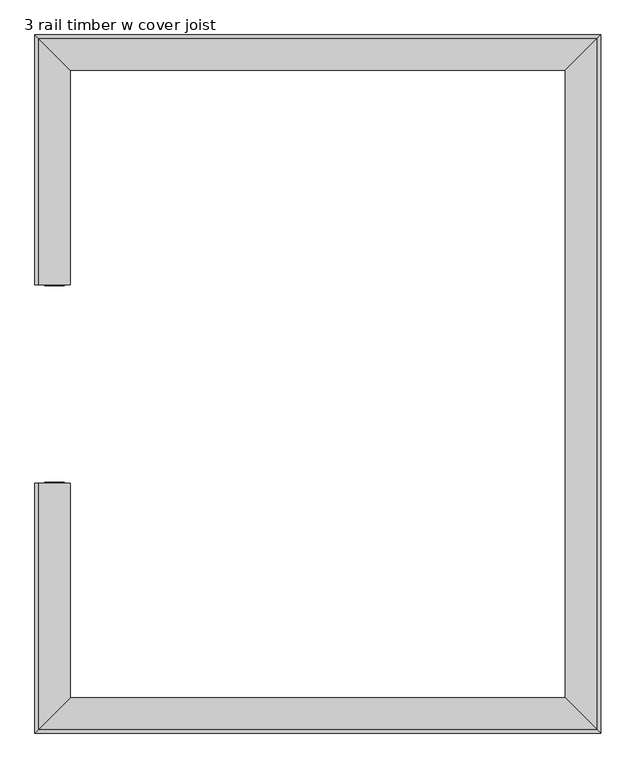
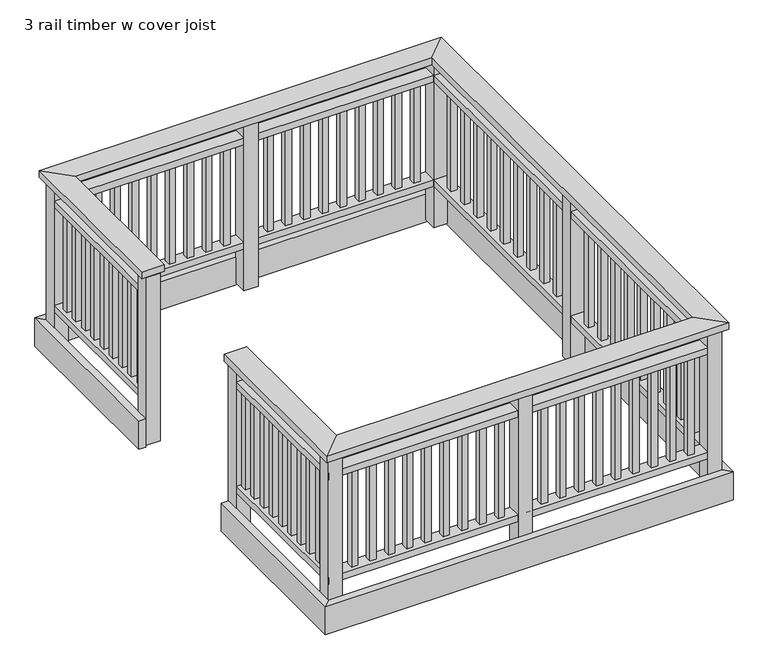
"""IFC4 building model written with IfcOpenShell, lengths in millimetres: railing geometry, 3 rail timber w cover joist."""

from ifc_helpers import new_model, si_unit, frame, origin, place, context, project, spatial, polyline, outline, extrude, faceted_brep, source, transform, mapped, element, save


def railing_3_rail_timber_w_cover_joist_783a0ea9(model_context):
    return source(origin(), model_context, "Body", "SolidModel", [
        faceted_brep([(-8800.9871552, -1452.6167866, 2219.2), (-8655.9871552, -1452.6167866, 2219.2), (-8655.9871552, -1452.6167866, 2174.2), (-8800.9871552, -1452.6167866, 2174.2), (-8800.9871552, -2585.0167866, 2219.2), (-8655.9871552, -2440.0167866, 2219.2), (-8655.9871552, -2440.0167866, 2174.2), (-8800.9871552, -2585.0167866, 2174.2), (-6231.3871552, -2585.0167866, 2219.2), (-6376.3871552, -2440.0167866, 2219.2), (-6376.3871552, -2440.0167866, 2174.2), (-6231.3871552, -2585.0167866, 2174.2), (-6231.3871552, 594.1832134, 2219.2), (-6376.3871552, 449.1832134, 2219.2), (-6376.3871552, 449.1832134, 2174.2), (-6231.3871552, 594.1832134, 2174.2), (-8800.9871552, 594.1832134, 2219.2), (-8655.9871552, 449.1832134, 2219.2), (-8655.9871552, 449.1832134, 2174.2), (-8800.9871552, 594.1832134, 2174.2), (-8800.9871552, -538.2167866, 2219.2), (-8800.9871552, -538.2167866, 2174.2), (-8655.9871552, -538.2167866, 2174.2), (-8655.9871552, -538.2167866, 2219.2)], [[[0, 1, 2, 3]], [[1, 0, 4, 5]], [[2, 1, 5, 6]], [[3, 2, 6, 7]], [[0, 3, 7, 4]], [[5, 4, 8, 9]], [[6, 5, 9, 10]], [[7, 6, 10, 11]], [[4, 7, 11, 8]], [[9, 8, 12, 13]], [[10, 9, 13, 14]], [[11, 10, 14, 15]], [[8, 11, 15, 12]], [[13, 12, 16, 17]], [[14, 13, 17, 18]], [[15, 14, 18, 19]], [[12, 15, 19, 16]], [[20, 21, 22, 23]], [[17, 16, 20, 23]], [[18, 17, 23, 22]], [[19, 18, 22, 21]], [[16, 19, 21, 20]]]),
        faceted_brep([(-8770.9871552, -1452.6167866, 2074.2), (-8685.9871552, -1452.6167866, 2074.2), (-8685.9871552, -1452.6167866, 2029.2), (-8770.9871552, -1452.6167866, 2029.2), (-8770.9871552, -2555.0167866, 2074.2), (-8685.9871552, -2470.0167866, 2074.2), (-8685.9871552, -2470.0167866, 2029.2), (-8770.9871552, -2555.0167866, 2029.2), (-6261.3871552, -2555.0167866, 2074.2), (-6346.3871552, -2470.0167866, 2074.2), (-6346.3871552, -2470.0167866, 2029.2), (-6261.3871552, -2555.0167866, 2029.2), (-6261.3871552, 564.1832134, 2074.2), (-6346.3871552, 479.1832134, 2074.2), (-6346.3871552, 479.1832134, 2029.2), (-6261.3871552, 564.1832134, 2029.2), (-8770.9871552, 564.1832134, 2074.2), (-8685.9871552, 479.1832134, 2074.2), (-8685.9871552, 479.1832134, 2029.2), (-8770.9871552, 564.1832134, 2029.2), (-8770.9871552, -538.2167866, 2074.2), (-8770.9871552, -538.2167866, 2029.2), (-8685.9871552, -538.2167866, 2029.2), (-8685.9871552, -538.2167866, 2074.2)], [[[0, 1, 2, 3]], [[1, 0, 4, 5]], [[2, 1, 5, 6]], [[3, 2, 6, 7]], [[0, 3, 7, 4]], [[5, 4, 8, 9]], [[6, 5, 9, 10]], [[7, 6, 10, 11]], [[4, 7, 11, 8]], [[9, 8, 12, 13]], [[10, 9, 13, 14]], [[11, 10, 14, 15]], [[8, 11, 15, 12]], [[13, 12, 16, 17]], [[14, 13, 17, 18]], [[15, 14, 18, 19]], [[12, 15, 19, 16]], [[20, 21, 22, 23]], [[17, 16, 20, 23]], [[18, 17, 23, 22]], [[19, 18, 22, 21]], [[16, 19, 21, 20]]]),
        faceted_brep([(-8770.9871552, -1452.6167866, 1369.2), (-8685.9871552, -1452.6167866, 1369.2), (-8685.9871552, -1452.6167866, 1324.2), (-8770.9871552, -1452.6167866, 1324.2), (-8770.9871552, -2555.0167866, 1369.2), (-8685.9871552, -2470.0167866, 1369.2), (-8685.9871552, -2470.0167866, 1324.2), (-8770.9871552, -2555.0167866, 1324.2), (-6261.3871552, -2555.0167866, 1369.2), (-6346.3871552, -2470.0167866, 1369.2), (-6346.3871552, -2470.0167866, 1324.2), (-6261.3871552, -2555.0167866, 1324.2), (-6261.3871552, 564.1832134, 1369.2), (-6346.3871552, 479.1832134, 1369.2), (-6346.3871552, 479.1832134, 1324.2), (-6261.3871552, 564.1832134, 1324.2), (-8770.9871552, 564.1832134, 1369.2), (-8685.9871552, 479.1832134, 1369.2), (-8685.9871552, 479.1832134, 1324.2), (-8770.9871552, 564.1832134, 1324.2), (-8770.9871552, -538.2167866, 1369.2), (-8770.9871552, -538.2167866, 1324.2), (-8685.9871552, -538.2167866, 1324.2), (-8685.9871552, -538.2167866, 1369.2)], [[[0, 1, 2, 3]], [[1, 0, 4, 5]], [[2, 1, 5, 6]], [[3, 2, 6, 7]], [[0, 3, 7, 4]], [[5, 4, 8, 9]], [[6, 5, 9, 10]], [[7, 6, 10, 11]], [[4, 7, 11, 8]], [[9, 8, 12, 13]], [[10, 9, 13, 14]], [[11, 10, 14, 15]], [[8, 11, 15, 12]], [[13, 12, 16, 17]], [[14, 13, 17, 18]], [[15, 14, 18, 19]], [[12, 15, 19, 16]], [[20, 21, 22, 23]], [[17, 16, 20, 23]], [[18, 17, 23, 22]], [[19, 18, 22, 21]], [[16, 19, 21, 20]]]),
        faceted_brep([(-8818.4871552, -1452.6167866, 1219.2), (-8773.4871552, -1452.6167866, 1219.2), (-8773.4871552, -1452.6167866, 1029.2), (-8818.4871552, -1452.6167866, 1029.2), (-8818.4871552, -2602.5167866, 1219.2), (-8773.4871552, -2557.5167866, 1219.2), (-8773.4871552, -2557.5167866, 1029.2), (-8818.4871552, -2602.5167866, 1029.2), (-6213.8871552, -2602.5167866, 1219.2), (-6258.8871552, -2557.5167866, 1219.2), (-6258.8871552, -2557.5167866, 1029.2), (-6213.8871552, -2602.5167866, 1029.2), (-6213.8871552, 611.6832134, 1219.2), (-6258.8871552, 566.6832134, 1219.2), (-6258.8871552, 566.6832134, 1029.2), (-6213.8871552, 611.6832134, 1029.2), (-8818.4871552, 611.6832134, 1219.2), (-8773.4871552, 566.6832134, 1219.2), (-8773.4871552, 566.6832134, 1029.2), (-8818.4871552, 611.6832134, 1029.2), (-8818.4871552, -538.2167866, 1219.2), (-8818.4871552, -538.2167866, 1029.2), (-8773.4871552, -538.2167866, 1029.2), (-8773.4871552, -538.2167866, 1219.2)], [[[0, 1, 2, 3]], [[1, 0, 4, 5]], [[2, 1, 5, 6]], [[3, 2, 6, 7]], [[0, 3, 7, 4]], [[5, 4, 8, 9]], [[6, 5, 9, 10]], [[7, 6, 10, 11]], [[4, 7, 11, 8]], [[9, 8, 12, 13]], [[10, 9, 13, 14]], [[11, 10, 14, 15]], [[8, 11, 15, 12]], [[13, 12, 16, 17]], [[14, 13, 17, 18]], [[15, 14, 18, 19]], [[12, 15, 19, 16]], [[20, 21, 22, 23]], [[17, 16, 20, 23]], [[18, 17, 23, 22]], [[19, 18, 22, 21]], [[16, 19, 21, 20]]]),
        extrude(outline(polyline([(-8748.4871552, -397.6074763), (-8708.4871552, -397.6074763), (-8708.4871552, -437.6074763), (-8748.4871552, -437.6074763), (-8748.4871552, -397.6074763)])), frame((0.0, 0.0, 1369.2), z_axis=(0.0, 0.0, 1.0), x_axis=(1.0, 0.0, 0.0)), (0.0, 0.0, 1.0), 660.0),
        extrude(outline(polyline([(-8748.4871552, -295.2723039), (-8708.4871552, -295.2723039), (-8708.4871552, -335.2723039), (-8748.4871552, -335.2723039), (-8748.4871552, -295.2723039)])), frame((0.0, 0.0, 1369.2), z_axis=(0.0, 0.0, 1.0), x_axis=(1.0, 0.0, 0.0)), (0.0, 0.0, 1.0), 660.0),
        extrude(outline(polyline([(-8748.4871552, -192.9371315), (-8708.4871552, -192.9371315), (-8708.4871552, -232.9371315), (-8748.4871552, -232.9371315), (-8748.4871552, -192.9371315)])), frame((0.0, 0.0, 1369.2), z_axis=(0.0, 0.0, 1.0), x_axis=(1.0, 0.0, 0.0)), (0.0, 0.0, 1.0), 660.0),
        extrude(outline(polyline([(-8748.4871552, -90.601959), (-8708.4871552, -90.601959), (-8708.4871552, -130.601959), (-8748.4871552, -130.601959), (-8748.4871552, -90.601959)])), frame((0.0, 0.0, 1369.2), z_axis=(0.0, 0.0, 1.0), x_axis=(1.0, 0.0, 0.0)), (0.0, 0.0, 1.0), 660.0),
        extrude(outline(polyline([(-8748.4871552, 11.7332134), (-8708.4871552, 11.7332134), (-8708.4871552, -28.2667866), (-8748.4871552, -28.2667866), (-8748.4871552, 11.7332134)])), frame((0.0, 0.0, 1369.2), z_axis=(0.0, 0.0, 1.0), x_axis=(1.0, 0.0, 0.0)), (0.0, 0.0, 1.0), 660.0),
        extrude(outline(polyline([(-8748.4871552, 114.0683858), (-8708.4871552, 114.0683858), (-8708.4871552, 74.0683858), (-8748.4871552, 74.0683858), (-8748.4871552, 114.0683858)])), frame((0.0, 0.0, 1369.2), z_axis=(0.0, 0.0, 1.0), x_axis=(1.0, 0.0, 0.0)), (0.0, 0.0, 1.0), 660.0),
        extrude(outline(polyline([(-8748.4871552, 216.4035582), (-8708.4871552, 216.4035582), (-8708.4871552, 176.4035582), (-8748.4871552, 176.4035582), (-8748.4871552, 216.4035582)])), frame((0.0, 0.0, 1369.2), z_axis=(0.0, 0.0, 1.0), x_axis=(1.0, 0.0, 0.0)), (0.0, 0.0, 1.0), 660.0),
        extrude(outline(polyline([(-8748.4871552, 318.7387306), (-8708.4871552, 318.7387306), (-8708.4871552, 278.7387306), (-8748.4871552, 278.7387306), (-8748.4871552, 318.7387306)])), frame((0.0, 0.0, 1369.2), z_axis=(0.0, 0.0, 1.0), x_axis=(1.0, 0.0, 0.0)), (0.0, 0.0, 1.0), 660.0),
        extrude(outline(polyline([(-8748.4871552, 421.073903), (-8708.4871552, 421.073903), (-8708.4871552, 381.073903), (-8748.4871552, 381.073903), (-8748.4871552, 421.073903)])), frame((0.0, 0.0, 1369.2), z_axis=(0.0, 0.0, 1.0), x_axis=(1.0, 0.0, 0.0)), (0.0, 0.0, 1.0), 660.0),
        extrude(outline(polyline([(-8570.5357759, 541.6832134), (-8570.5357759, 501.6832134), (-8610.5357759, 501.6832134), (-8610.5357759, 541.6832134), (-8570.5357759, 541.6832134)])), frame((0.0, 0.0, 1369.2), z_axis=(0.0, 0.0, 1.0), x_axis=(1.0, 0.0, 0.0)), (0.0, 0.0, 1.0), 660.0),
        extrude(outline(polyline([(-8453.4861207, 541.6832134), (-8453.4861207, 501.6832134), (-8493.4861207, 501.6832134), (-8493.4861207, 541.6832134), (-8453.4861207, 541.6832134)])), frame((0.0, 0.0, 1369.2), z_axis=(0.0, 0.0, 1.0), x_axis=(1.0, 0.0, 0.0)), (0.0, 0.0, 1.0), 660.0),
        extrude(outline(polyline([(-8336.4364655, 541.6832134), (-8336.4364655, 501.6832134), (-8376.4364655, 501.6832134), (-8376.4364655, 541.6832134), (-8336.4364655, 541.6832134)])), frame((0.0, 0.0, 1369.2), z_axis=(0.0, 0.0, 1.0), x_axis=(1.0, 0.0, 0.0)), (0.0, 0.0, 1.0), 660.0),
        extrude(outline(polyline([(-8219.3868104, 541.6832134), (-8219.3868104, 501.6832134), (-8259.3868104, 501.6832134), (-8259.3868104, 541.6832134), (-8219.3868104, 541.6832134)])), frame((0.0, 0.0, 1369.2), z_axis=(0.0, 0.0, 1.0), x_axis=(1.0, 0.0, 0.0)), (0.0, 0.0, 1.0), 660.0),
        extrude(outline(polyline([(-8102.3371552, 541.6832134), (-8102.3371552, 501.6832134), (-8142.3371552, 501.6832134), (-8142.3371552, 541.6832134), (-8102.3371552, 541.6832134)])), frame((0.0, 0.0, 1369.2), z_axis=(0.0, 0.0, 1.0), x_axis=(1.0, 0.0, 0.0)), (0.0, 0.0, 1.0), 660.0),
        extrude(outline(polyline([(-7985.2875, 541.6832134), (-7985.2875, 501.6832134), (-8025.2875, 501.6832134), (-8025.2875, 541.6832134), (-7985.2875, 541.6832134)])), frame((0.0, 0.0, 1369.2), z_axis=(0.0, 0.0, 1.0), x_axis=(1.0, 0.0, 0.0)), (0.0, 0.0, 1.0), 660.0),
        extrude(outline(polyline([(-7868.2378449, 541.6832134), (-7868.2378449, 501.6832134), (-7908.2378449, 501.6832134), (-7908.2378449, 541.6832134), (-7868.2378449, 541.6832134)])), frame((0.0, 0.0, 1369.2), z_axis=(0.0, 0.0, 1.0), x_axis=(1.0, 0.0, 0.0)), (0.0, 0.0, 1.0), 660.0),
        extrude(outline(polyline([(-7751.1881897, 541.6832134), (-7751.1881897, 501.6832134), (-7791.1881897, 501.6832134), (-7791.1881897, 541.6832134), (-7751.1881897, 541.6832134)])), frame((0.0, 0.0, 1369.2), z_axis=(0.0, 0.0, 1.0), x_axis=(1.0, 0.0, 0.0)), (0.0, 0.0, 1.0), 660.0),
        extrude(outline(polyline([(-7634.1385345, 541.6832134), (-7634.1385345, 501.6832134), (-7674.1385345, 501.6832134), (-7674.1385345, 541.6832134), (-7634.1385345, 541.6832134)])), frame((0.0, 0.0, 1369.2), z_axis=(0.0, 0.0, 1.0), x_axis=(1.0, 0.0, 0.0)), (0.0, 0.0, 1.0), 660.0),
        extrude(outline(polyline([(-7471.1871552, 566.6832134), (-7471.1871552, 476.6832134), (-7561.1871552, 476.6832134), (-7561.1871552, 566.6832134), (-7471.1871552, 566.6832134)])), frame((0.0, 0.0, 1044.2), z_axis=(0.0, 0.0, 1.0), x_axis=(1.0, 0.0, 0.0)), (0.0, 0.0, 1.0), 1130.0),
        extrude(outline(polyline([(-7358.2357759, 541.6832134), (-7358.2357759, 501.6832134), (-7398.2357759, 501.6832134), (-7398.2357759, 541.6832134), (-7358.2357759, 541.6832134)])), frame((0.0, 0.0, 1369.2), z_axis=(0.0, 0.0, 1.0), x_axis=(1.0, 0.0, 0.0)), (0.0, 0.0, 1.0), 660.0),
        extrude(outline(polyline([(-7241.1861207, 541.6832134), (-7241.1861207, 501.6832134), (-7281.1861207, 501.6832134), (-7281.1861207, 541.6832134), (-7241.1861207, 541.6832134)])), frame((0.0, 0.0, 1369.2), z_axis=(0.0, 0.0, 1.0), x_axis=(1.0, 0.0, 0.0)), (0.0, 0.0, 1.0), 660.0),
        extrude(outline(polyline([(-7124.1364655, 541.6832134), (-7124.1364655, 501.6832134), (-7164.1364655, 501.6832134), (-7164.1364655, 541.6832134), (-7124.1364655, 541.6832134)])), frame((0.0, 0.0, 1369.2), z_axis=(0.0, 0.0, 1.0), x_axis=(1.0, 0.0, 0.0)), (0.0, 0.0, 1.0), 660.0),
        extrude(outline(polyline([(-7007.0868104, 541.6832134), (-7007.0868104, 501.6832134), (-7047.0868104, 501.6832134), (-7047.0868104, 541.6832134), (-7007.0868104, 541.6832134)])), frame((0.0, 0.0, 1369.2), z_axis=(0.0, 0.0, 1.0), x_axis=(1.0, 0.0, 0.0)), (0.0, 0.0, 1.0), 660.0),
        extrude(outline(polyline([(-6890.0371552, 541.6832134), (-6890.0371552, 501.6832134), (-6930.0371552, 501.6832134), (-6930.0371552, 541.6832134), (-6890.0371552, 541.6832134)])), frame((0.0, 0.0, 1369.2), z_axis=(0.0, 0.0, 1.0), x_axis=(1.0, 0.0, 0.0)), (0.0, 0.0, 1.0), 660.0),
        extrude(outline(polyline([(-6772.9875, 541.6832134), (-6772.9875, 501.6832134), (-6812.9875, 501.6832134), (-6812.9875, 541.6832134), (-6772.9875, 541.6832134)])), frame((0.0, 0.0, 1369.2), z_axis=(0.0, 0.0, 1.0), x_axis=(1.0, 0.0, 0.0)), (0.0, 0.0, 1.0), 660.0),
        extrude(outline(polyline([(-6655.9378449, 541.6832134), (-6655.9378449, 501.6832134), (-6695.9378449, 501.6832134), (-6695.9378449, 541.6832134), (-6655.9378449, 541.6832134)])), frame((0.0, 0.0, 1369.2), z_axis=(0.0, 0.0, 1.0), x_axis=(1.0, 0.0, 0.0)), (0.0, 0.0, 1.0), 660.0),
        extrude(outline(polyline([(-6538.8881897, 541.6832134), (-6538.8881897, 501.6832134), (-6578.8881897, 501.6832134), (-6578.8881897, 541.6832134), (-6538.8881897, 541.6832134)])), frame((0.0, 0.0, 1369.2), z_axis=(0.0, 0.0, 1.0), x_axis=(1.0, 0.0, 0.0)), (0.0, 0.0, 1.0), 660.0),
        extrude(outline(polyline([(-6421.8385345, 541.6832134), (-6421.8385345, 501.6832134), (-6461.8385345, 501.6832134), (-6461.8385345, 541.6832134), (-6421.8385345, 541.6832134)])), frame((0.0, 0.0, 1369.2), z_axis=(0.0, 0.0, 1.0), x_axis=(1.0, 0.0, 0.0)), (0.0, 0.0, 1.0), 660.0),
        extrude(outline(polyline([(-6283.8871552, 329.0476961), (-6323.8871552, 329.0476961), (-6323.8871552, 369.0476961), (-6283.8871552, 369.0476961), (-6283.8871552, 329.0476961)])), frame((0.0, 0.0, 1369.2), z_axis=(0.0, 0.0, 1.0), x_axis=(1.0, 0.0, 0.0)), (0.0, 0.0, 1.0), 660.0),
        extrude(outline(polyline([(-6283.8871552, 182.5690754), (-6323.8871552, 182.5690754), (-6323.8871552, 222.5690754), (-6283.8871552, 222.5690754), (-6283.8871552, 182.5690754)])), frame((0.0, 0.0, 1369.2), z_axis=(0.0, 0.0, 1.0), x_axis=(1.0, 0.0, 0.0)), (0.0, 0.0, 1.0), 660.0),
        extrude(outline(polyline([(-6283.8871552, 36.0904548), (-6323.8871552, 36.0904548), (-6323.8871552, 76.0904548), (-6283.8871552, 76.0904548), (-6283.8871552, 36.0904548)])), frame((0.0, 0.0, 1369.2), z_axis=(0.0, 0.0, 1.0), x_axis=(1.0, 0.0, 0.0)), (0.0, 0.0, 1.0), 660.0),
        extrude(outline(polyline([(-6283.8871552, -110.3881659), (-6323.8871552, -110.3881659), (-6323.8871552, -70.3881659), (-6283.8871552, -70.3881659), (-6283.8871552, -110.3881659)])), frame((0.0, 0.0, 1369.2), z_axis=(0.0, 0.0, 1.0), x_axis=(1.0, 0.0, 0.0)), (0.0, 0.0, 1.0), 660.0),
        extrude(outline(polyline([(-6283.8871552, -256.8667866), (-6323.8871552, -256.8667866), (-6323.8871552, -216.8667866), (-6283.8871552, -216.8667866), (-6283.8871552, -256.8667866)])), frame((0.0, 0.0, 1369.2), z_axis=(0.0, 0.0, 1.0), x_axis=(1.0, 0.0, 0.0)), (0.0, 0.0, 1.0), 660.0),
        extrude(outline(polyline([(-6283.8871552, -403.3454073), (-6323.8871552, -403.3454073), (-6323.8871552, -363.3454073), (-6283.8871552, -363.3454073), (-6283.8871552, -403.3454073)])), frame((0.0, 0.0, 1369.2), z_axis=(0.0, 0.0, 1.0), x_axis=(1.0, 0.0, 0.0)), (0.0, 0.0, 1.0), 660.0),
        extrude(outline(polyline([(-6283.8871552, -549.824028), (-6323.8871552, -549.824028), (-6323.8871552, -509.824028), (-6283.8871552, -509.824028), (-6283.8871552, -549.824028)])), frame((0.0, 0.0, 1369.2), z_axis=(0.0, 0.0, 1.0), x_axis=(1.0, 0.0, 0.0)), (0.0, 0.0, 1.0), 660.0),
        extrude(outline(polyline([(-6283.8871552, -696.3026487), (-6323.8871552, -696.3026487), (-6323.8871552, -656.3026487), (-6283.8871552, -656.3026487), (-6283.8871552, -696.3026487)])), frame((0.0, 0.0, 1369.2), z_axis=(0.0, 0.0, 1.0), x_axis=(1.0, 0.0, 0.0)), (0.0, 0.0, 1.0), 660.0),
        extrude(outline(polyline([(-6283.8871552, -842.7812694), (-6323.8871552, -842.7812694), (-6323.8871552, -802.7812694), (-6283.8871552, -802.7812694), (-6283.8871552, -842.7812694)])), frame((0.0, 0.0, 1369.2), z_axis=(0.0, 0.0, 1.0), x_axis=(1.0, 0.0, 0.0)), (0.0, 0.0, 1.0), 660.0),
        extrude(outline(polyline([(-6258.8871552, -1040.4167866), (-6348.8871552, -1040.4167866), (-6348.8871552, -950.4167866), (-6258.8871552, -950.4167866), (-6258.8871552, -1040.4167866)])), frame((0.0, 0.0, 1044.2), z_axis=(0.0, 0.0, 1.0), x_axis=(1.0, 0.0, 0.0)), (0.0, 0.0, 1.0), 1130.0),
        extrude(outline(polyline([(-6283.8871552, -1188.0523039), (-6323.8871552, -1188.0523039), (-6323.8871552, -1148.0523039), (-6283.8871552, -1148.0523039), (-6283.8871552, -1188.0523039)])), frame((0.0, 0.0, 1369.2), z_axis=(0.0, 0.0, 1.0), x_axis=(1.0, 0.0, 0.0)), (0.0, 0.0, 1.0), 660.0),
        extrude(outline(polyline([(-6283.8871552, -1334.5309246), (-6323.8871552, -1334.5309246), (-6323.8871552, -1294.5309246), (-6283.8871552, -1294.5309246), (-6283.8871552, -1334.5309246)])), frame((0.0, 0.0, 1369.2), z_axis=(0.0, 0.0, 1.0), x_axis=(1.0, 0.0, 0.0)), (0.0, 0.0, 1.0), 660.0),
        extrude(outline(polyline([(-6283.8871552, -1481.0095452), (-6323.8871552, -1481.0095452), (-6323.8871552, -1441.0095452), (-6283.8871552, -1441.0095452), (-6283.8871552, -1481.0095452)])), frame((0.0, 0.0, 1369.2), z_axis=(0.0, 0.0, 1.0), x_axis=(1.0, 0.0, 0.0)), (0.0, 0.0, 1.0), 660.0),
        extrude(outline(polyline([(-6283.8871552, -1627.4881659), (-6323.8871552, -1627.4881659), (-6323.8871552, -1587.4881659), (-6283.8871552, -1587.4881659), (-6283.8871552, -1627.4881659)])), frame((0.0, 0.0, 1369.2), z_axis=(0.0, 0.0, 1.0), x_axis=(1.0, 0.0, 0.0)), (0.0, 0.0, 1.0), 660.0),
        extrude(outline(polyline([(-6283.8871552, -1773.9667866), (-6323.8871552, -1773.9667866), (-6323.8871552, -1733.9667866), (-6283.8871552, -1733.9667866), (-6283.8871552, -1773.9667866)])), frame((0.0, 0.0, 1369.2), z_axis=(0.0, 0.0, 1.0), x_axis=(1.0, 0.0, 0.0)), (0.0, 0.0, 1.0), 660.0),
        extrude(outline(polyline([(-6283.8871552, -1920.4454073), (-6323.8871552, -1920.4454073), (-6323.8871552, -1880.4454073), (-6283.8871552, -1880.4454073), (-6283.8871552, -1920.4454073)])), frame((0.0, 0.0, 1369.2), z_axis=(0.0, 0.0, 1.0), x_axis=(1.0, 0.0, 0.0)), (0.0, 0.0, 1.0), 660.0),
        extrude(outline(polyline([(-6283.8871552, -2066.924028), (-6323.8871552, -2066.924028), (-6323.8871552, -2026.924028), (-6283.8871552, -2026.924028), (-6283.8871552, -2066.924028)])), frame((0.0, 0.0, 1369.2), z_axis=(0.0, 0.0, 1.0), x_axis=(1.0, 0.0, 0.0)), (0.0, 0.0, 1.0), 660.0),
        extrude(outline(polyline([(-6283.8871552, -2213.4026487), (-6323.8871552, -2213.4026487), (-6323.8871552, -2173.4026487), (-6283.8871552, -2173.4026487), (-6283.8871552, -2213.4026487)])), frame((0.0, 0.0, 1369.2), z_axis=(0.0, 0.0, 1.0), x_axis=(1.0, 0.0, 0.0)), (0.0, 0.0, 1.0), 660.0),
        extrude(outline(polyline([(-6283.8871552, -2359.8812694), (-6323.8871552, -2359.8812694), (-6323.8871552, -2319.8812694), (-6283.8871552, -2319.8812694), (-6283.8871552, -2359.8812694)])), frame((0.0, 0.0, 1369.2), z_axis=(0.0, 0.0, 1.0), x_axis=(1.0, 0.0, 0.0)), (0.0, 0.0, 1.0), 660.0),
        extrude(outline(polyline([(-6461.8385345, -2532.5167866), (-6461.8385345, -2492.5167866), (-6421.8385345, -2492.5167866), (-6421.8385345, -2532.5167866), (-6461.8385345, -2532.5167866)])), frame((0.0, 0.0, 1369.2), z_axis=(0.0, 0.0, 1.0), x_axis=(1.0, 0.0, 0.0)), (0.0, 0.0, 1.0), 660.0),
        extrude(outline(polyline([(-6578.8881897, -2532.5167866), (-6578.8881897, -2492.5167866), (-6538.8881897, -2492.5167866), (-6538.8881897, -2532.5167866), (-6578.8881897, -2532.5167866)])), frame((0.0, 0.0, 1369.2), z_axis=(0.0, 0.0, 1.0), x_axis=(1.0, 0.0, 0.0)), (0.0, 0.0, 1.0), 660.0),
        extrude(outline(polyline([(-6695.9378449, -2532.5167866), (-6695.9378449, -2492.5167866), (-6655.9378449, -2492.5167866), (-6655.9378449, -2532.5167866), (-6695.9378449, -2532.5167866)])), frame((0.0, 0.0, 1369.2), z_axis=(0.0, 0.0, 1.0), x_axis=(1.0, 0.0, 0.0)), (0.0, 0.0, 1.0), 660.0),
        extrude(outline(polyline([(-6812.9875, -2532.5167866), (-6812.9875, -2492.5167866), (-6772.9875, -2492.5167866), (-6772.9875, -2532.5167866), (-6812.9875, -2532.5167866)])), frame((0.0, 0.0, 1369.2), z_axis=(0.0, 0.0, 1.0), x_axis=(1.0, 0.0, 0.0)), (0.0, 0.0, 1.0), 660.0),
        extrude(outline(polyline([(-6930.0371552, -2532.5167866), (-6930.0371552, -2492.5167866), (-6890.0371552, -2492.5167866), (-6890.0371552, -2532.5167866), (-6930.0371552, -2532.5167866)])), frame((0.0, 0.0, 1369.2), z_axis=(0.0, 0.0, 1.0), x_axis=(1.0, 0.0, 0.0)), (0.0, 0.0, 1.0), 660.0),
        extrude(outline(polyline([(-7047.0868104, -2532.5167866), (-7047.0868104, -2492.5167866), (-7007.0868104, -2492.5167866), (-7007.0868104, -2532.5167866), (-7047.0868104, -2532.5167866)])), frame((0.0, 0.0, 1369.2), z_axis=(0.0, 0.0, 1.0), x_axis=(1.0, 0.0, 0.0)), (0.0, 0.0, 1.0), 660.0),
        extrude(outline(polyline([(-7164.1364655, -2532.5167866), (-7164.1364655, -2492.5167866), (-7124.1364655, -2492.5167866), (-7124.1364655, -2532.5167866), (-7164.1364655, -2532.5167866)])), frame((0.0, 0.0, 1369.2), z_axis=(0.0, 0.0, 1.0), x_axis=(1.0, 0.0, 0.0)), (0.0, 0.0, 1.0), 660.0),
        extrude(outline(polyline([(-7281.1861207, -2532.5167866), (-7281.1861207, -2492.5167866), (-7241.1861207, -2492.5167866), (-7241.1861207, -2532.5167866), (-7281.1861207, -2532.5167866)])), frame((0.0, 0.0, 1369.2), z_axis=(0.0, 0.0, 1.0), x_axis=(1.0, 0.0, 0.0)), (0.0, 0.0, 1.0), 660.0),
        extrude(outline(polyline([(-7398.2357759, -2532.5167866), (-7398.2357759, -2492.5167866), (-7358.2357759, -2492.5167866), (-7358.2357759, -2532.5167866), (-7398.2357759, -2532.5167866)])), frame((0.0, 0.0, 1369.2), z_axis=(0.0, 0.0, 1.0), x_axis=(1.0, 0.0, 0.0)), (0.0, 0.0, 1.0), 660.0),
        extrude(outline(polyline([(-7561.1871552, -2557.5167866), (-7561.1871552, -2467.5167866), (-7471.1871552, -2467.5167866), (-7471.1871552, -2557.5167866), (-7561.1871552, -2557.5167866)])), frame((0.0, 0.0, 1044.2), z_axis=(0.0, 0.0, 1.0), x_axis=(1.0, 0.0, 0.0)), (0.0, 0.0, 1.0), 1130.0),
        extrude(outline(polyline([(-7674.1385345, -2532.5167866), (-7674.1385345, -2492.5167866), (-7634.1385345, -2492.5167866), (-7634.1385345, -2532.5167866), (-7674.1385345, -2532.5167866)])), frame((0.0, 0.0, 1369.2), z_axis=(0.0, 0.0, 1.0), x_axis=(1.0, 0.0, 0.0)), (0.0, 0.0, 1.0), 660.0),
        extrude(outline(polyline([(-7791.1881897, -2532.5167866), (-7791.1881897, -2492.5167866), (-7751.1881897, -2492.5167866), (-7751.1881897, -2532.5167866), (-7791.1881897, -2532.5167866)])), frame((0.0, 0.0, 1369.2), z_axis=(0.0, 0.0, 1.0), x_axis=(1.0, 0.0, 0.0)), (0.0, 0.0, 1.0), 660.0),
        extrude(outline(polyline([(-7908.2378449, -2532.5167866), (-7908.2378449, -2492.5167866), (-7868.2378449, -2492.5167866), (-7868.2378449, -2532.5167866), (-7908.2378449, -2532.5167866)])), frame((0.0, 0.0, 1369.2), z_axis=(0.0, 0.0, 1.0), x_axis=(1.0, 0.0, 0.0)), (0.0, 0.0, 1.0), 660.0),
        extrude(outline(polyline([(-8025.2875, -2532.5167866), (-8025.2875, -2492.5167866), (-7985.2875, -2492.5167866), (-7985.2875, -2532.5167866), (-8025.2875, -2532.5167866)])), frame((0.0, 0.0, 1369.2), z_axis=(0.0, 0.0, 1.0), x_axis=(1.0, 0.0, 0.0)), (0.0, 0.0, 1.0), 660.0),
        extrude(outline(polyline([(-8142.3371552, -2532.5167866), (-8142.3371552, -2492.5167866), (-8102.3371552, -2492.5167866), (-8102.3371552, -2532.5167866), (-8142.3371552, -2532.5167866)])), frame((0.0, 0.0, 1369.2), z_axis=(0.0, 0.0, 1.0), x_axis=(1.0, 0.0, 0.0)), (0.0, 0.0, 1.0), 660.0),
        extrude(outline(polyline([(-8259.3868104, -2532.5167866), (-8259.3868104, -2492.5167866), (-8219.3868104, -2492.5167866), (-8219.3868104, -2532.5167866), (-8259.3868104, -2532.5167866)])), frame((0.0, 0.0, 1369.2), z_axis=(0.0, 0.0, 1.0), x_axis=(1.0, 0.0, 0.0)), (0.0, 0.0, 1.0), 660.0),
        extrude(outline(polyline([(-8376.4364655, -2532.5167866), (-8376.4364655, -2492.5167866), (-8336.4364655, -2492.5167866), (-8336.4364655, -2532.5167866), (-8376.4364655, -2532.5167866)])), frame((0.0, 0.0, 1369.2), z_axis=(0.0, 0.0, 1.0), x_axis=(1.0, 0.0, 0.0)), (0.0, 0.0, 1.0), 660.0),
        extrude(outline(polyline([(-8493.4861207, -2532.5167866), (-8493.4861207, -2492.5167866), (-8453.4861207, -2492.5167866), (-8453.4861207, -2532.5167866), (-8493.4861207, -2532.5167866)])), frame((0.0, 0.0, 1369.2), z_axis=(0.0, 0.0, 1.0), x_axis=(1.0, 0.0, 0.0)), (0.0, 0.0, 1.0), 660.0),
        extrude(outline(polyline([(-8610.5357759, -2532.5167866), (-8610.5357759, -2492.5167866), (-8570.5357759, -2492.5167866), (-8570.5357759, -2532.5167866), (-8610.5357759, -2532.5167866)])), frame((0.0, 0.0, 1369.2), z_axis=(0.0, 0.0, 1.0), x_axis=(1.0, 0.0, 0.0)), (0.0, 0.0, 1.0), 660.0),
        extrude(outline(polyline([(-8748.4871552, -2371.9074763), (-8708.4871552, -2371.9074763), (-8708.4871552, -2411.9074763), (-8748.4871552, -2411.9074763), (-8748.4871552, -2371.9074763)])), frame((0.0, 0.0, 1369.2), z_axis=(0.0, 0.0, 1.0), x_axis=(1.0, 0.0, 0.0)), (0.0, 0.0, 1.0), 660.0),
        extrude(outline(polyline([(-8748.4871552, -2269.5723039), (-8708.4871552, -2269.5723039), (-8708.4871552, -2309.5723039), (-8748.4871552, -2309.5723039), (-8748.4871552, -2269.5723039)])), frame((0.0, 0.0, 1369.2), z_axis=(0.0, 0.0, 1.0), x_axis=(1.0, 0.0, 0.0)), (0.0, 0.0, 1.0), 660.0),
        extrude(outline(polyline([(-8748.4871552, -2167.2371315), (-8708.4871552, -2167.2371315), (-8708.4871552, -2207.2371315), (-8748.4871552, -2207.2371315), (-8748.4871552, -2167.2371315)])), frame((0.0, 0.0, 1369.2), z_axis=(0.0, 0.0, 1.0), x_axis=(1.0, 0.0, 0.0)), (0.0, 0.0, 1.0), 660.0),
        extrude(outline(polyline([(-8748.4871552, -2064.901959), (-8708.4871552, -2064.901959), (-8708.4871552, -2104.901959), (-8748.4871552, -2104.901959), (-8748.4871552, -2064.901959)])), frame((0.0, 0.0, 1369.2), z_axis=(0.0, 0.0, 1.0), x_axis=(1.0, 0.0, 0.0)), (0.0, 0.0, 1.0), 660.0),
        extrude(outline(polyline([(-8748.4871552, -1962.5667866), (-8708.4871552, -1962.5667866), (-8708.4871552, -2002.5667866), (-8748.4871552, -2002.5667866), (-8748.4871552, -1962.5667866)])), frame((0.0, 0.0, 1369.2), z_axis=(0.0, 0.0, 1.0), x_axis=(1.0, 0.0, 0.0)), (0.0, 0.0, 1.0), 660.0),
        extrude(outline(polyline([(-8748.4871552, -1860.2316142), (-8708.4871552, -1860.2316142), (-8708.4871552, -1900.2316142), (-8748.4871552, -1900.2316142), (-8748.4871552, -1860.2316142)])), frame((0.0, 0.0, 1369.2), z_axis=(0.0, 0.0, 1.0), x_axis=(1.0, 0.0, 0.0)), (0.0, 0.0, 1.0), 660.0),
        extrude(outline(polyline([(-8748.4871552, -1757.8964418), (-8708.4871552, -1757.8964418), (-8708.4871552, -1797.8964418), (-8748.4871552, -1797.8964418), (-8748.4871552, -1757.8964418)])), frame((0.0, 0.0, 1369.2), z_axis=(0.0, 0.0, 1.0), x_axis=(1.0, 0.0, 0.0)), (0.0, 0.0, 1.0), 660.0),
        extrude(outline(polyline([(-8748.4871552, -1655.5612694), (-8708.4871552, -1655.5612694), (-8708.4871552, -1695.5612694), (-8748.4871552, -1695.5612694), (-8748.4871552, -1655.5612694)])), frame((0.0, 0.0, 1369.2), z_axis=(0.0, 0.0, 1.0), x_axis=(1.0, 0.0, 0.0)), (0.0, 0.0, 1.0), 660.0),
        extrude(outline(polyline([(-8748.4871552, -1553.226097), (-8708.4871552, -1553.226097), (-8708.4871552, -1593.226097), (-8748.4871552, -1593.226097), (-8748.4871552, -1553.226097)])), frame((0.0, 0.0, 1369.2), z_axis=(0.0, 0.0, 1.0), x_axis=(1.0, 0.0, 0.0)), (0.0, 0.0, 1.0), 660.0),
        extrude(outline(polyline([(-8683.4871552, 566.6832134), (-8683.4871552, 476.6832134), (-8773.4871552, 476.6832134), (-8773.4871552, 566.6832134), (-8683.4871552, 566.6832134)])), frame((0.0, 0.0, 1044.2), z_axis=(0.0, 0.0, 1.0), x_axis=(1.0, 0.0, 0.0)), (0.0, 0.0, 1.0), 1130.0),
        extrude(outline(polyline([(-6258.8871552, 476.6832134), (-6348.8871552, 476.6832134), (-6348.8871552, 566.6832134), (-6258.8871552, 566.6832134), (-6258.8871552, 476.6832134)])), frame((0.0, 0.0, 1044.2), z_axis=(0.0, 0.0, 1.0), x_axis=(1.0, 0.0, 0.0)), (0.0, 0.0, 1.0), 1130.0),
        extrude(outline(polyline([(-6348.8871552, -2557.5167866), (-6348.8871552, -2467.5167866), (-6258.8871552, -2467.5167866), (-6258.8871552, -2557.5167866), (-6348.8871552, -2557.5167866)])), frame((0.0, 0.0, 1044.2), z_axis=(0.0, 0.0, 1.0), x_axis=(1.0, 0.0, 0.0)), (0.0, 0.0, 1.0), 1130.0),
        extrude(outline(polyline([(-8773.4871552, -2467.5167866), (-8683.4871552, -2467.5167866), (-8683.4871552, -2557.5167866), (-8773.4871552, -2557.5167866), (-8773.4871552, -2467.5167866)])), frame((0.0, 0.0, 1044.2), z_axis=(0.0, 0.0, 1.0), x_axis=(1.0, 0.0, 0.0)), (0.0, 0.0, 1.0), 1130.0),
        extrude(outline(polyline([(-8773.4871552, -453.2167866), (-8683.4871552, -453.2167866), (-8683.4871552, -543.2167866), (-8773.4871552, -543.2167866), (-8773.4871552, -453.2167866)])), frame((0.0, 0.0, 1044.2), z_axis=(0.0, 0.0, 1.0), x_axis=(1.0, 0.0, 0.0)), (0.0, 0.0, 1.0), 1130.0),
        extrude(outline(polyline([(-8773.4871552, -1447.6167866), (-8683.4871552, -1447.6167866), (-8683.4871552, -1537.6167866), (-8773.4871552, -1537.6167866), (-8773.4871552, -1447.6167866)])), frame((0.0, 0.0, 1044.2), z_axis=(0.0, 0.0, 1.0), x_axis=(1.0, 0.0, 0.0)), (0.0, 0.0, 1.0), 1130.0),
    ])


if __name__ == "__main__":
    model = new_model("IFC4")
    model_context = context("Model", 3, world=origin())
    ifc_project = project(units=[si_unit("LENGTHUNIT", "METRE", prefix="MILLI")], contexts=[model_context])
    site = spatial("IfcSite", under=ifc_project)
    building = spatial("IfcBuilding", under=site)
    placement = place(None, origin())
    railing_3_rail_timber_w_cover_joist_shape = railing_3_rail_timber_w_cover_joist_783a0ea9(model_context)
    element("IfcRailing", 1, ObjectType="3 rail timber w cover joist", at=placement, inside=building, context=model_context, shape_type="MappedRepresentation", body=[
        mapped(railing_3_rail_timber_w_cover_joist_shape, transform((0.0, 0.0, 0.0), x_axis=(1.0, 0.0, 0.0), y_axis=(0.0, 1.0, 0.0), z_axis=(0.0, 0.0, 1.0))),
    ])
    save(model, "model.ifc")
